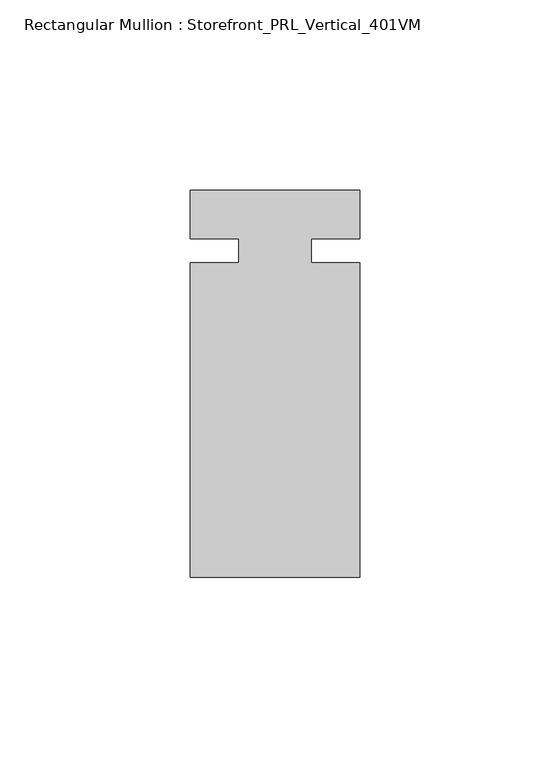
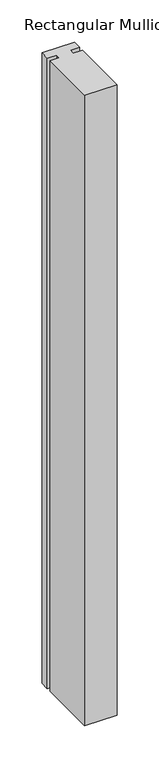
"""IFC4 building model written with IfcOpenShell, lengths in millimetres: member geometry, Rectangular Mullion : Storefront_PRL_Vertical_401VM."""

import ifcopenshell
import ifcopenshell.guid

model = None  # the IFC model being written
_history = None  # IfcOwnerHistory: only IFC2X3 demands one
_inside = {}  # id of a spatial element -> (the spatial element, [elements in it])
_under = {}  # id of a project, library or spatial element -> (it, [spatial elements below it])
_declared = {}  # id of a project -> (the project, [libraries it declares])
_typed = {}  # id of a type object -> (the type object, [elements of that type])
_made_of = {}  # id of a material, layer set ... -> (it, [elements and type objects made of it])


def new_model(schema):
    """Start an empty IFC model of exactly this schema.

    Asked for "IFC4X3", IfcOpenShell would pick the latest addendum, in which some entities
    have other attributes; the version numbers below select the first issue.
    IFC2X3 requires an IfcOwnerHistory on every rooted entity: one is made here for all.
    """
    global model, _history
    if schema == "IFC4X3":
        model = ifcopenshell.file(schema_version=(4, 3, 0, 0))
    else:
        model = ifcopenshell.file(schema=schema)
    _inside.clear()
    _under.clear()
    _declared.clear()
    _typed.clear()
    _made_of.clear()
    _history = None
    if model.schema == "IFC2X3":
        org = make("IfcOrganization", Name="unknown")
        user = make(
            "IfcPersonAndOrganization",
            ThePerson=make("IfcPerson", FamilyName="unknown"),
            TheOrganization=org,
        )
        app = make(
            "IfcApplication",
            ApplicationDeveloper=org,
            Version="unknown",
            ApplicationFullName="unknown",
            ApplicationIdentifier="unknown",
        )
        _history = make(
            "IfcOwnerHistory",
            OwningUser=user,
            OwningApplication=app,
            ChangeAction="ADDED",
            CreationDate=0,
        )
    return model


def make(cls, **values):
    """One entity of the class cls with the attributes given. An attribute that is None is left unset."""
    return model.create_entity(
        cls, **{name: value for name, value in values.items() if value is not None}
    )


def rooted(cls, **values):
    """An entity with a GlobalId (a new one), such as an element, a storey or a relation."""
    return make(cls, GlobalId=ifcopenshell.guid.new(), OwnerHistory=_history, **values)


def si_unit(unit_type, name, prefix=None):
    """IfcSIUnit, for example si_unit("LENGTHUNIT", "METRE", prefix="MILLI")."""
    return make("IfcSIUnit", UnitType=unit_type, Prefix=prefix, Name=name)


def assignment(units):
    """IfcUnitAssignment: the units of a project."""
    return None if units is None else make("IfcUnitAssignment", Units=units)


def point(xyz):
    """IfcCartesianPoint."""
    return None if xyz is None else make("IfcCartesianPoint", Coordinates=xyz)


def direction(xyz):
    """IfcDirection."""
    return None if xyz is None else make("IfcDirection", DirectionRatios=xyz)


def frame(location, z_axis=None, x_axis=None):
    """IfcAxis2Placement3D, a coordinate frame: its origin and axes. An axis left out is left unset."""
    return make(
        "IfcAxis2Placement3D",
        Location=point(location),
        Axis=direction(z_axis),
        RefDirection=direction(x_axis),
    )


def origin():
    """The frame at (0, 0, 0) with its axes left unset."""
    return frame((0.0, 0.0, 0.0))


def place(relative_to, where):
    """IfcLocalPlacement: puts the frame where relative to a parent placement (None: the world)."""
    return make(
        "IfcLocalPlacement", PlacementRelTo=relative_to, RelativePlacement=where
    )


def context(
    kind, dimensions, precision=None, world=None, true_north=None, identifier=None
):
    """IfcGeometricRepresentationContext, for example the 3D "Model" context."""
    return make(
        "IfcGeometricRepresentationContext",
        ContextIdentifier=identifier,
        ContextType=kind,
        CoordinateSpaceDimension=dimensions,
        Precision=precision,
        WorldCoordinateSystem=world,
        TrueNorth=true_north,
    )


def project(units=None, contexts=None):
    """IfcProject with its units and contexts."""
    return rooted(
        "IfcProject",
        Name="project",
        RepresentationContexts=contexts,
        UnitsInContext=assignment(units),
    )


def spatial(cls, under=None, at=None, **own):
    """A site, building, storey or space (cls), placed at a placement, below another one or the project."""
    s = rooted(cls, ObjectPlacement=at, **own)
    if under is not None:
        _under.setdefault(under.id(), (under, []))[1].append(s)
    return s


def polyline(points):
    """IfcPolyline through the points."""
    return make("IfcPolyline", Points=[point(p) for p in points])


def outline(outer, holes=None, kind="AREA"):
    """IfcArbitraryClosedProfileDef: a profile drawn as a closed curve; with holes, ...WithVoids."""
    if holes is None:
        return make("IfcArbitraryClosedProfileDef", ProfileType=kind, OuterCurve=outer)
    return make(
        "IfcArbitraryProfileDefWithVoids",
        ProfileType=kind,
        OuterCurve=outer,
        InnerCurves=holes,
    )


def extrude(swept, where, along, depth):
    """IfcExtrudedAreaSolid: the profile swept, set in the frame where, extruded along a direction by depth."""
    return make(
        "IfcExtrudedAreaSolid",
        SweptArea=swept,
        Position=where,
        ExtrudedDirection=direction(along),
        Depth=depth,
    )


def shape(context_of_items, identifier, shape_type, items):
    """IfcShapeRepresentation: the items that make up one representation, for example the "Body"."""
    return make(
        "IfcShapeRepresentation",
        ContextOfItems=context_of_items,
        RepresentationIdentifier=identifier,
        RepresentationType=shape_type,
        Items=items,
    )


def source(mapping_origin, context_of_items, identifier, shape_type, items):
    """IfcRepresentationMap: a shape defined once, which mapped items show again and again."""
    return make(
        "IfcRepresentationMap",
        MappingOrigin=mapping_origin,
        MappedRepresentation=shape(context_of_items, identifier, shape_type, items),
    )


def transform(
    local_origin,
    x_axis=None,
    y_axis=None,
    z_axis=None,
    scale=None,
    scale2=None,
    scale3=None,
    uniform=True,
):
    """IfcCartesianTransformationOperator3D, or its non-uniform kind. x_axis, y_axis, z_axis: its Axis1, 2, 3."""
    if uniform:
        return make(
            "IfcCartesianTransformationOperator3D",
            Axis1=direction(x_axis),
            Axis2=direction(y_axis),
            LocalOrigin=point(local_origin),
            Scale=scale,
            Axis3=direction(z_axis),
        )
    return make(
        "IfcCartesianTransformationOperator3DnonUniform",
        Axis1=direction(x_axis),
        Axis2=direction(y_axis),
        LocalOrigin=point(local_origin),
        Scale=scale,
        Axis3=direction(z_axis),
        Scale2=scale2,
        Scale3=scale3,
    )


def mapped(mapping_source, mapping_target):
    """IfcMappedItem: shows the shape of a source again, moved by a transform."""
    return make(
        "IfcMappedItem", MappingSource=mapping_source, MappingTarget=mapping_target
    )


def made_of(thing, what):
    """Note that an element or type object is made of a material, layer set ...; save() writes the relation."""
    if what is not None:
        _made_of.setdefault(what.id(), (what, []))[1].append(thing)
    return thing


def element(
    cls,
    number,
    at=None,
    inside=None,
    cuts=None,
    type_object=None,
    material=None,
    context=None,
    identifier="Body",
    shape_type=None,
    held_by="IfcProductDefinitionShape",
    body=None,
    shapes=None,
    **own,
):
    """One element of the class cls, such as IfcWall. Its Tag is "e" and its number.

    at: its placement. inside: the storey or other place that contains it. cuts: it is an
    opening in that element (IfcRelVoidsElement). A single representation is given by context,
    identifier, shape_type and body (its items); several are given by shapes. held_by: the class
    of the entity that holds the representations. save() writes the other relations.
    """
    e = rooted(cls, Tag="e%d" % number, ObjectPlacement=at, **own)
    if body is not None:
        shapes = [shape(context, identifier, shape_type, body)]
    if shapes is not None:
        e.Representation = make(held_by, Representations=shapes)
    if inside is not None:
        _inside.setdefault(inside.id(), (inside, []))[1].append(e)
    if cuts is not None:
        rooted(
            "IfcRelVoidsElement", RelatingBuildingElement=cuts, RelatedOpeningElement=e
        )
    if type_object is not None:
        _typed.setdefault(type_object.id(), (type_object, []))[1].append(e)
    return made_of(e, material)


def aggregate(whole, parts):
    """IfcRelAggregates: a whole, such as a stair, and the parts it consists of."""
    return rooted("IfcRelAggregates", RelatingObject=whole, RelatedObjects=parts)


def save(model, path):
    """Write the relations noted so far, then the file.

    IfcRelAggregates (storeys below a building ...), IfcRelContainedInSpatialStructure (elements
    in a storey), IfcRelDefinesByType, IfcRelAssociatesMaterial and IfcRelDeclares: one each for
    every whole, place, type object, material and project.
    """
    for whole, parts in _under.values():
        aggregate(whole, parts)
    for where, things in _inside.values():
        rooted(
            "IfcRelContainedInSpatialStructure",
            RelatedElements=things,
            RelatingStructure=where,
        )
    for kind, things in _typed.values():
        rooted("IfcRelDefinesByType", RelatedObjects=things, RelatingType=kind)
    for what, things in _made_of.values():
        rooted("IfcRelAssociatesMaterial", RelatedObjects=things, RelatingMaterial=what)
    for by, libraries in _declared.values():
        rooted("IfcRelDeclares", RelatingContext=by, RelatedDefinitions=libraries)
    model.write(path)


def rectangular_mullion_storefront_prl_vertical_401vm_b825b5c5(model_context):
    return source(origin(), model_context, "Body", "SweptSolid", [
        extrude(outline(polyline([(-9.525, -3.175), (-9.525, 3.175), (-22.225, 3.175), (-22.225, 15.875), (22.225, 15.875), (22.225, 3.175), (9.525, 3.175), (9.525, -3.175), (22.225, -3.175), (22.225, -85.725), (-22.225, -85.725), (-22.225, -3.175), (-9.525, -3.175)])), frame((0.0, 0.0, -914.4), z_axis=(0.0, 0.0, 1.0), x_axis=(1.0, 0.0, 0.0)), (0.0, 0.0, 1.0), 914.4),
    ])


if __name__ == "__main__":
    model = new_model("IFC4")
    model_context = context("Model", 3, world=origin())
    ifc_project = project(units=[si_unit("LENGTHUNIT", "METRE", prefix="MILLI")], contexts=[model_context])
    site = spatial("IfcSite", under=ifc_project)
    building = spatial("IfcBuilding", under=site)
    placement = place(None, origin())
    rectangular_mullion_storefront_prl_vertical_401vm_shape = rectangular_mullion_storefront_prl_vertical_401vm_b825b5c5(model_context)
    element("IfcMember", 1, ObjectType="Rectangular Mullion : Storefront_PRL_Vertical_401VM", at=placement, inside=building, context=model_context, shape_type="MappedRepresentation", body=[
        mapped(rectangular_mullion_storefront_prl_vertical_401vm_shape, transform((0.0, 0.0, 0.0), x_axis=(1.0, 0.0, 0.0), y_axis=(0.0, 1.0, 0.0), z_axis=(0.0, 0.0, 1.0))),
    ])
    save(model, "model.ifc")
